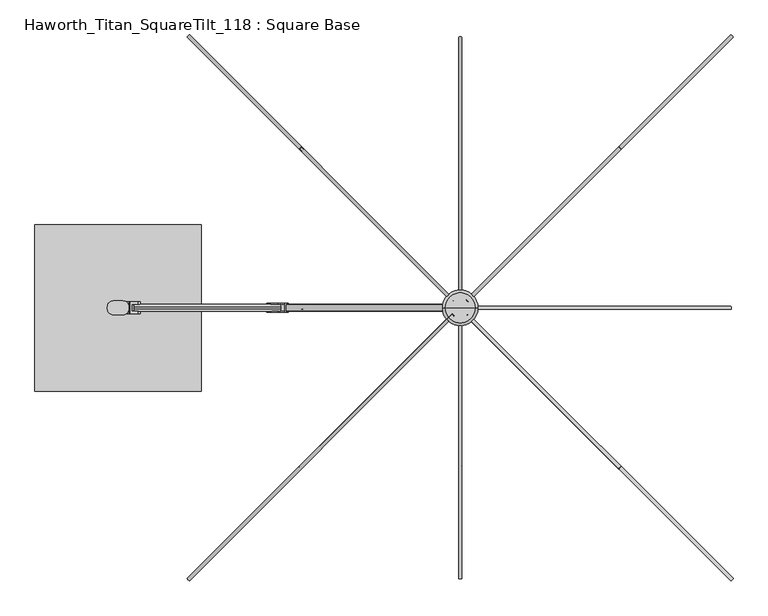
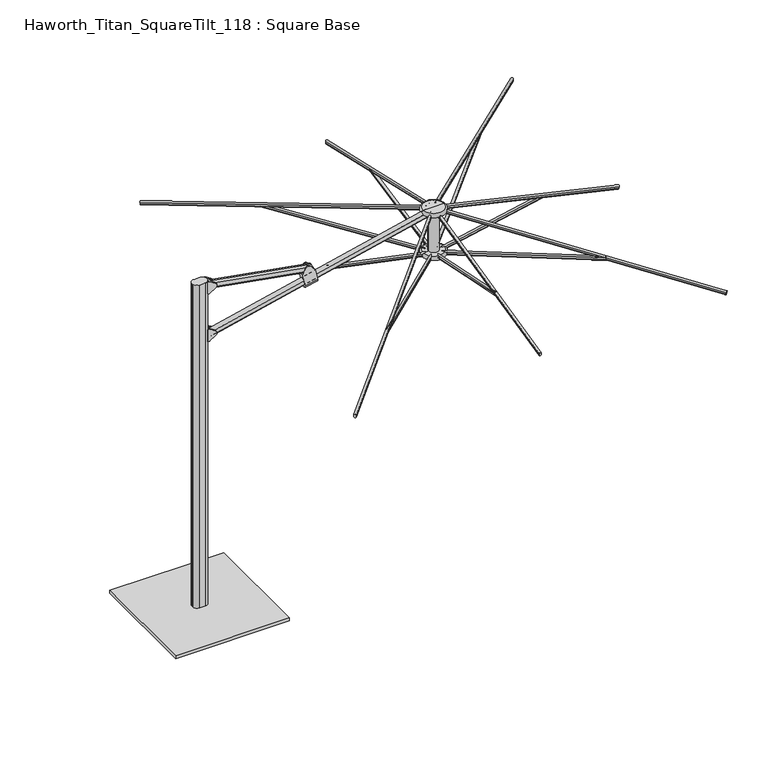
"""IFC4 building model written with IfcOpenShell, lengths in millimetres: furniture geometry, Haworth_Titan_SquareTilt_118 : Square Base."""

from ifc_helpers import new_model, si_unit, point, frame, frame_2d, origin, origin_with_axes, place, context, project, spatial, polyline, circle_curve, ellipse_curve, trimmed, segment, composite_curve, outline, extrude, source, transform, mapped, element, save
from ifc_brep_helpers import plane_surface, cylinder_surface, revolved_surface, advanced_brep


def haworth_titan_squaretilt_118_square_base_c0363f3f(model_context):
    return source(origin(), model_context, "Body", "SolidModel", [
        extrude(outline(composite_curve([segment(polyline([(-1446.5300194, -42.1299408), (-1499.8699806, -42.1299408)]), True, "CONTINUOUS"), segment(trimmed(circle_curve(frame_2d((-1499.8699806, -10.3799408)), 31.75), [point((-1499.8699806, -42.1299408))], [point((-1531.6199806, -10.3799408))], False, "CARTESIAN"), True, "CONTINUOUS"), segment(polyline([(-1531.6199806, -10.3799408), (-1531.6199806, 2.3200592)]), True, "CONTINUOUS"), segment(trimmed(circle_curve(frame_2d((-1499.8699806, 2.3200592)), 31.75), [point((-1531.6199806, 2.3200592))], [point((-1499.8699806, 34.0700592))], False, "CARTESIAN"), True, "CONTINUOUS"), segment(polyline([(-1499.8699806, 34.0700592), (-1446.5300194, 34.0700592)]), True, "CONTINUOUS"), segment(trimmed(circle_curve(frame_2d((-1446.5300194, 2.3200592)), 31.75), [point((-1446.5300194, 34.0700592))], [point((-1414.7800194, 2.3200592))], False, "CARTESIAN"), True, "CONTINUOUS"), segment(polyline([(-1414.7800194, 2.3200592), (-1414.7800194, -10.3799408)]), True, "CONTINUOUS"), segment(trimmed(circle_curve(frame_2d((-1446.5300194, -10.3799408)), 31.75), [point((-1414.7800194, -10.3799408))], [point((-1446.5300194, -42.1299408))], False, "CARTESIAN"), True, "CONTINUOUS")], self_intersect=False)), frame((0.0, 0.0, 25.4), z_axis=(0.0, 0.0, 1.0), x_axis=(1.0, 0.0, 0.0)), (0.0, 0.0, 1.0), 2743.2),
        extrude(outline(polyline([(-1016.0, 453.1700592), (-1016.0, -461.2299408), (-1930.4, -461.2299408), (-1930.4, 453.1700592), (-1016.0, 453.1700592)])), origin_with_axes(), (0.0, 0.0, 1.0), 25.4),
        advanced_brep(
        [(-638.8317232, -28.8584398, 2452.539431), (-539.2550393, -28.8584398, 2472.7210111), (-557.1147391, -28.8584398, 2562.8261396), (-594.9132103, -28.8584398, 2602.8681925), (-637.1082851, -28.8584398, 2594.5048149), (-656.7758688, -28.8584398, 2543.0725626), (-556.9273215, -23.0799408, 2561.8805867), (-656.5036375, -23.0799408, 2541.6990811), (-656.7758688, -23.0799408, 2543.0725626), (-637.1082851, -23.0799408, 2594.5048149), (-594.9132103, -23.0799408, 2602.8681925), (-557.1147391, -23.0799408, 2562.8261396), (-556.9273215, 15.0200592, 2561.8805867), (-656.5036375, 15.0200592, 2541.6990811), (-557.1147391, 15.0200592, 2562.8261396), (-594.9132103, 15.0200592, 2602.8681925), (-637.1082851, 15.0200592, 2594.5048149), (-656.7758688, 15.0200592, 2543.0725626), (-539.2550393, 20.7985582, 2472.7210111), (-638.8317232, 20.7985582, 2452.539431), (-656.7758688, 20.7985582, 2543.0725626), (-637.1082851, 20.7985582, 2594.5048149), (-594.9132103, 20.7985582, 2602.8681925), (-557.1147391, 20.7985582, 2562.8261396)],
        [
            (0, 1),
            (1, 2),
            (2, 3),
            (3, 4, circle_curve(frame((-613.3837241, -28.8584398, 2585.4325933), z_axis=(0.0, -1.0, 0.0), x_axis=(1.0, 0.0, 0.0)), 25.4)),
            (4, 5),
            (5, 0),
            (6, 7),
            (7, 8),
            (8, 9),
            (9, 10, circle_curve(frame((-613.3837241, -23.0799408, 2585.4325933), z_axis=(0.0, 1.0, 0.0), x_axis=(1.0, 0.0, 0.0)), 25.4)),
            (10, 11),
            (11, 6),
            (6, 12),
            (12, 13),
            (13, 7),
            (12, 14),
            (14, 15),
            (15, 16, circle_curve(frame((-613.3837241, 15.0200592, 2585.4325933), z_axis=(0.0, -1.0, 0.0), x_axis=(1.0, 0.0, 0.0)), 25.4)),
            (16, 17),
            (17, 13),
            (18, 19),
            (19, 20),
            (20, 21),
            (21, 22, circle_curve(frame((-613.3837241, 20.7985582, 2585.4325933), z_axis=(0.0, 1.0, 0.0), x_axis=(1.0, 0.0, 0.0)), 25.4)),
            (22, 23),
            (23, 18),
            (8, 5),
            (4, 9),
            (20, 17),
            (16, 21),
            (3, 10),
            (15, 22),
            (2, 11),
            (14, 23),
            (1, 18, ellipse_curve(frame((-539.2550393, -4.0299408, 2472.7210111), z_axis=(0.9809169623175261, 0.0, 0.19442714069223216), x_axis=(0.19442714069222775, -2.2532502934053907e-12, -0.980916962317527)), 24.8287277, 24.828499)),
            (19, 0, ellipse_curve(frame((-638.8317232, -4.0299408, 2452.539431), z_axis=(-0.9809177651054216, 0.0, -0.19442309045117312), x_axis=(0.1944230904512047, -2.251037628429089e-12, -0.9809177651054153)), 24.8287281, 24.828499)),
        ],
        [
            plane_surface(frame((-656.823572, -28.8584398, 2448.8929555), z_axis=(0.0, -1.0000000000000002, 0.0), x_axis=(0.9800735011186607, 0.0, 0.19863517413844614))),
            plane_surface(frame((-688.7528402, -23.0799408, 2606.4331791), z_axis=(0.0, 1.0000000000000002, 0.0), x_axis=(0.9800735011186607, 0.0, 0.19863517413844614))),
            plane_surface(frame((-674.8781733, -23.0799408, 2537.975045), z_axis=(-0.19863517413844614, 0.0, 0.9800735011186607), x_axis=(0.9800735011186607, 0.0, 0.19863517413844614))),
            plane_surface(frame((-674.8781733, 15.0200592, 2537.975045), z_axis=(0.0, -1.0000000000000002, 0.0), x_axis=(0.9800735011186607, 0.0, 0.19863517413844614))),
            plane_surface(frame((-688.8424073, 20.7985582, 2606.8751066), z_axis=(0.0, 1.0000000000000002, 0.0), x_axis=(0.9800735011186607, 0.0, 0.19863517413844614))),
            plane_surface(frame((-656.7758688, -42.1299408, 2543.0725626), z_axis=(-0.934037835454624, 0.0, 0.35717407792173367), x_axis=(0.0, 1.0, 0.0))),
            cylinder_surface(frame((-613.3837241, 34.0700592, 2585.4325933), z_axis=(0.0, 1.0, 0.0), x_axis=(1.0, 0.0, 0.0)), 25.4),
            plane_surface(frame((-594.9132103, -42.1299408, 2602.8681925), z_axis=(0.7271855840513565, 0.0, 0.6864409124956697), x_axis=(0.0, 1.0, 0.0))),
            plane_surface(frame((-557.1147391, -42.1299408, 2562.8261396), z_axis=(0.9809169623175261, 0.0, 0.19442714069223216), x_axis=(0.0, 1.0, 0.0))),
            plane_surface(frame((-615.4340122, -42.1299408, 2334.4915679), z_axis=(-0.9809177651054216, 0.0, -0.19442309045117312), x_axis=(0.0, 1.0, 0.0))),
            cylinder_surface(frame((-523.693599, -4.0299408, 2475.8749066), z_axis=(-0.9800735011186607, 0.0, -0.19863517413844567), x_axis=(0.19863517413844567, 0.0, -0.9800735011186607)), 24.828499),
        ],
        [
            (0, [[1, 2, 3, 4, 5, 6]]),
            (1, [[7, 8, 9, 10, 11, 12]]),
            (2, [[-7, 13, 14, 15]]),
            (3, [[-14, 16, 17, 18, 19, 20]]),
            (4, [[21, 22, 23, 24, 25, 26]]),
            (5, [[27, -5, 28, -9]]),
            (5, [[29, -19, 30, -23]]),
            (6, [[-28, -4, 31, -10]]),
            (6, [[-30, -18, 32, -24]]),
            (7, [[-31, -3, 33, -11]]),
            (7, [[-32, -17, 34, -25]]),
            (8, [[-33, -2, 35, -26, -34, -16, -13, -12]]),
            (9, [[-27, -8, -15, -20, -29, -22, 36, -6]]),
            (10, [[-1, -36, -21, -35]]),
        ],
    ),
        advanced_brep(
        [(-1398.5468048, -23.0799408, 2670.4960641), (-1398.5468048, -23.0799408, 2756.7219863), (-1365.0592091, -23.0799408, 2735.6843884), (-1365.0592091, -23.0799408, 2691.533662), (-1398.5468048, 15.0200592, 2670.4960641), (-1398.5468048, 15.0200592, 2756.7219863), (-1365.0592091, 15.0200592, 2691.533662), (-1365.0592091, 15.0200592, 2735.6843884), (-1412.4977231, 28.7360598, 2764.4089767), (-1409.330907, 28.7360598, 2763.4967816), (-1365.0592091, 28.7360598, 2735.6843884), (-1365.0592091, 28.7360598, 2691.533662), (-1409.330907, 28.7360598, 2663.7212688), (-1412.4977231, 28.7360598, 2662.8090736), (-1428.8306637, 28.7360598, 2662.8090736), (-1428.8306637, 28.7360598, 2764.4089767), (-1428.8306637, 28.0356115, 2662.8090736), (-1428.8306637, -36.0954368, 2662.8090736), (-1428.8306637, -36.0954368, 2764.4089767), (-1428.8306637, 28.0356115, 2764.4089767), (-1409.330907, -36.7959413, 2763.4967816), (-1412.4977231, -36.7959413, 2764.4089767), (-1428.8306637, -36.7959413, 2764.4089767), (-1428.8306637, -36.7959413, 2662.8090736), (-1412.4977231, -36.7959413, 2662.8090736), (-1409.330907, -36.7959413, 2663.7212688), (-1365.0592091, -36.7959413, 2691.533662), (-1365.0592091, -36.7959413, 2735.6843884)],
        [
            (0, 1),
            (1, 2),
            (2, 3, circle_curve(frame((-1378.9274073, -23.0799408, 2713.6090252), z_axis=(0.0, 1.0, 0.0), x_axis=(1.0, 0.0, 0.0)), 26.0700706)),
            (3, 0),
            (0, 4),
            (4, 5),
            (5, 1),
            (4, 6),
            (6, 7, circle_curve(frame((-1378.9274073, 15.0200592, 2713.6090252), z_axis=(0.0, -1.0, 0.0), x_axis=(1.0, 0.0, 0.0)), 26.0700706)),
            (7, 5),
            (8, 9, circle_curve(frame((-1412.4977231, 28.7360598, 2758.4558517), z_axis=(0.0, 1.0, 0.0), x_axis=(1.0, 0.0, 0.0)), 5.953125)),
            (9, 10),
            (10, 11, circle_curve(frame((-1378.9274073, 28.7360598, 2713.6090252), z_axis=(0.0, 1.0, 0.0), x_axis=(1.0, 0.0, 0.0)), 26.0700706)),
            (11, 12),
            (12, 13, circle_curve(frame((-1412.4977231, 28.7360598, 2668.7621986), z_axis=(0.0, 1.0, 0.0), x_axis=(1.0, 0.0, 0.0)), 5.953125)),
            (13, 14),
            (14, 15),
            (15, 8),
            (16, 17, circle_curve(frame((-1456.6790796, -4.0299127, 2662.8090736), z_axis=(0.0, 0.0, -1.0), x_axis=(1.0, 0.0, 0.0)), 42.4703674)),
            (17, 18),
            (18, 19, circle_curve(frame((-1456.6790796, -4.0299127, 2764.4089767), z_axis=(0.0, 0.0, 1.0), x_axis=(1.0, 0.0, 0.0)), 42.4703674)),
            (19, 16),
            (20, 21, circle_curve(frame((-1412.4977231, -36.7959413, 2758.4558517), z_axis=(0.0, -1.0, 0.0), x_axis=(1.0, 0.0, 0.0)), 5.953125)),
            (21, 22),
            (22, 23),
            (23, 24),
            (24, 25, circle_curve(frame((-1412.4977231, -36.7959413, 2668.7621986), z_axis=(0.0, -1.0, 0.0), x_axis=(1.0, 0.0, 0.0)), 5.953125)),
            (25, 26),
            (26, 27, circle_curve(frame((-1378.9274073, -36.7959413, 2713.6090252), z_axis=(0.0, -1.0, 0.0), x_axis=(1.0, 0.0, 0.0)), 26.0700706)),
            (27, 20),
            (8, 21),
            (20, 9),
            (27, 2),
            (7, 10),
            (26, 3),
            (6, 11),
            (25, 12),
            (24, 13),
            (23, 17),
            (16, 14),
            (22, 18),
            (19, 15),
        ],
        [
            plane_surface(frame((-1352.2714317, -23.0799408, 2768.6), z_axis=(0.0, 1.0, 0.0), x_axis=(0.0, 0.0, -1.0))),
            plane_surface(frame((-1398.5468048, -23.0799408, 2768.6), z_axis=(1.0, 0.0, 0.0), x_axis=(0.0, 0.0, -1.0))),
            plane_surface(frame((-1398.5468048, 15.0200592, 2768.6), z_axis=(0.0, -1.0, 0.0), x_axis=(0.0, 0.0, -1.0))),
            plane_surface(frame((-1352.2714317, 28.7360598, 2768.6), z_axis=(0.0, 1.0, 0.0), x_axis=(0.0, 0.0, -1.0))),
            revolved_surface(polyline([(-1414.2087122, -4.0299127, 2662.8090736), (-1414.2087122, -4.0299127, 2764.4089767)]), (-1456.6790796, -4.0299127, 2235.2), (0.0, 0.0, -1.0)),
            plane_surface(frame((-1429.6583566, -36.7959413, 2768.6), z_axis=(0.0, -1.0, 0.0), x_axis=(0.0, 0.0, -1.0))),
            cylinder_surface(frame((-1412.4977231, 72.1700592, 2758.4558517), z_axis=(0.0, 1.0, 0.0), x_axis=(1.0, 0.0, 0.0)), 5.953125),
            plane_surface(frame((-1409.330907, -80.2299408, 2763.4967816), z_axis=(0.5319585969039498, 0.0, 0.8467703650813372), x_axis=(0.0, 1.0, 0.0))),
            cylinder_surface(frame((-1378.9274073, 72.1700592, 2713.6090252), z_axis=(0.0, 1.0, 0.0), x_axis=(1.0, 0.0, 0.0)), 26.0700706),
            plane_surface(frame((-1365.0592091, -80.2299408, 2691.533662), z_axis=(0.5319585969039639, 0.0, -0.8467703650813284), x_axis=(0.0, 1.0, 0.0))),
            cylinder_surface(frame((-1412.4977231, 72.1700592, 2668.7621986), z_axis=(0.0, 1.0, 0.0), x_axis=(1.0, 0.0, 0.0)), 5.953125),
            plane_surface(frame((-1412.4977231, -80.2299408, 2662.8090736), z_axis=(0.0, 0.0, -1.0), x_axis=(0.0, 1.0, 0.0))),
            plane_surface(frame((-1428.8306637, -80.2299408, 2662.8090736), z_axis=(-1.0, 0.0, 0.0), x_axis=(0.0, 1.0, 0.0))),
            plane_surface(frame((-1428.8306637, -80.2299408, 2764.4089767), z_axis=(0.0, 0.0, 1.0), x_axis=(0.0, 1.0, 0.0))),
        ],
        [
            (0, [[1, 2, 3, 4]]),
            (1, [[-1, 5, 6, 7]]),
            (2, [[-6, 8, 9, 10]]),
            (3, [[11, 12, 13, 14, 15, 16, 17, 18]]),
            (4, [[19, 20, 21, 22]]),
            (5, [[23, 24, 25, 26, 27, 28, 29, 30]]),
            (6, [[31, -23, 32, -11]]),
            (7, [[-32, -30, 33, -2, -7, -10, 34, -12]]),
            (8, [[-33, -29, 35, -3]]),
            (8, [[-34, -9, 36, -13]]),
            (9, [[-36, -8, -5, -4, -35, -28, 37, -14]]),
            (10, [[-37, -27, 38, -15]]),
            (11, [[-38, -26, 39, -19, 40, -16]]),
            (12, [[-39, -25, 41, -20]]),
            (12, [[-40, -22, 42, -17]]),
            (13, [[-31, -18, -42, -21, -41, -24]]),
        ],
    ),
        advanced_brep(
        [(-1398.5468048, -23.0799408, 2265.4099374), (-1398.5468048, -23.0799408, 2351.6358596), (-1364.8153055, -23.0799408, 2330.4450365), (-1364.8153055, -23.0799408, 2286.6007605), (-1398.5468048, 15.0200592, 2265.4099374), (-1398.5468048, 15.0200592, 2351.6358596), (-1364.8153055, 15.0200592, 2286.6007605), (-1364.8153055, 15.0200592, 2330.4450365), (-1412.4977231, 28.7360598, 2359.32285), (-1409.330907, 28.7360598, 2358.4106549), (-1364.8153055, 28.7360598, 2330.4450365), (-1364.8153055, 28.7360598, 2286.6007605), (-1409.330907, 28.7360598, 2258.6351421), (-1412.4977231, 28.7360598, 2257.7229469), (-1428.4344669, 28.7360598, 2257.7229469), (-1428.4344669, 28.7360598, 2359.32285), (-1428.4344669, 27.6871799, 2257.7229469), (-1428.4344669, -35.7470053, 2257.7229469), (-1428.4344669, -35.7470053, 2359.32285), (-1428.4344669, 27.6871799, 2359.32285), (-1409.330907, -36.7959413, 2358.4106549), (-1412.4977231, -36.7959413, 2359.32285), (-1428.4344669, -36.7959413, 2359.32285), (-1428.4344669, -36.7959413, 2257.7229469), (-1412.4977231, -36.7959413, 2257.7229469), (-1409.330907, -36.7959413, 2258.6351421), (-1364.8153055, -36.7959413, 2286.6007605), (-1364.8153055, -36.7959413, 2330.4450365)],
        [
            (0, 1),
            (1, 2),
            (2, 3, circle_curve(frame((-1378.5872445, -23.0799408, 2308.5228985), z_axis=(0.0, 1.0, 0.0), x_axis=(1.0, 0.0, 0.0)), 25.8891181)),
            (3, 0),
            (0, 4),
            (4, 5),
            (5, 1),
            (4, 6),
            (6, 7, circle_curve(frame((-1378.5872445, 15.0200592, 2308.5228985), z_axis=(0.0, -1.0, 0.0), x_axis=(1.0, 0.0, 0.0)), 25.8891181)),
            (7, 5),
            (8, 9, circle_curve(frame((-1412.4977231, 28.7360598, 2353.369725), z_axis=(0.0, 1.0, 0.0), x_axis=(1.0, 0.0, 0.0)), 5.953125)),
            (9, 10),
            (10, 11, circle_curve(frame((-1378.5872445, 28.7360598, 2308.5228985), z_axis=(0.0, 1.0, 0.0), x_axis=(1.0, 0.0, 0.0)), 25.8891181)),
            (11, 12),
            (12, 13, circle_curve(frame((-1412.4977231, 28.7360598, 2263.6760719), z_axis=(0.0, 1.0, 0.0), x_axis=(1.0, 0.0, 0.0)), 5.953125)),
            (13, 14),
            (14, 15),
            (15, 8),
            (16, 17, circle_curve(frame((-1456.6790796, -4.0299127, 2257.7229469), z_axis=(0.0, 0.0, -1.0), x_axis=(1.0, 0.0, 0.0)), 42.4703674)),
            (17, 18),
            (18, 19, circle_curve(frame((-1456.6790796, -4.0299127, 2359.32285), z_axis=(0.0, 0.0, 1.0), x_axis=(1.0, 0.0, 0.0)), 42.4703674)),
            (19, 16),
            (20, 21, circle_curve(frame((-1412.4977231, -36.7959413, 2353.369725), z_axis=(0.0, -1.0, 0.0), x_axis=(1.0, 0.0, 0.0)), 5.953125)),
            (21, 22),
            (22, 23),
            (23, 24),
            (24, 25, circle_curve(frame((-1412.4977231, -36.7959413, 2263.6760719), z_axis=(0.0, -1.0, 0.0), x_axis=(1.0, 0.0, 0.0)), 5.953125)),
            (25, 26),
            (26, 27, circle_curve(frame((-1378.5872445, -36.7959413, 2308.5228985), z_axis=(0.0, -1.0, 0.0), x_axis=(1.0, 0.0, 0.0)), 25.8891181)),
            (27, 20),
            (8, 21),
            (20, 9),
            (27, 2),
            (7, 10),
            (26, 3),
            (6, 11),
            (25, 12),
            (24, 13),
            (23, 17),
            (16, 14),
            (22, 18),
            (19, 15),
        ],
        [
            plane_surface(frame((-1352.2714317, -23.0799408, 2768.6), z_axis=(0.0, 1.0, 0.0), x_axis=(0.0, 0.0, -1.0))),
            plane_surface(frame((-1398.5468048, -23.0799408, 2768.6), z_axis=(1.0, 0.0, 0.0), x_axis=(0.0, 0.0, -1.0))),
            plane_surface(frame((-1398.5468048, 15.0200592, 2768.6), z_axis=(0.0, -1.0, 0.0), x_axis=(0.0, 0.0, -1.0))),
            plane_surface(frame((-1352.2714317, 28.7360598, 2768.6), z_axis=(0.0, 1.0, 0.0), x_axis=(0.0, 0.0, -1.0))),
            revolved_surface(polyline([(-1414.2087122, -4.0299127, 2257.7229469), (-1414.2087122, -4.0299127, 2359.32285)]), (-1456.6790796, -4.0299127, 2235.2), (0.0, 0.0, -1.0)),
            plane_surface(frame((-1429.6583566, -36.7959413, 2768.6), z_axis=(0.0, -1.0, 0.0), x_axis=(0.0, 0.0, -1.0))),
            cylinder_surface(frame((-1412.4977231, -4.0299408, 2353.369725), z_axis=(0.0, 1.0, 0.0), x_axis=(1.0, 0.0, 0.0)), 5.953125),
            plane_surface(frame((-1409.330907, -80.2299408, 2358.4106549), z_axis=(0.5319585969039494, 0.0, 0.8467703650813374), x_axis=(0.0, 1.0, 0.0))),
            cylinder_surface(frame((-1378.5872445, -4.0299408, 2308.5228985), z_axis=(0.0, 1.0, 0.0), x_axis=(1.0, 0.0, 0.0)), 25.8891181),
            plane_surface(frame((-1364.8153055, -80.2299408, 2286.6007605), z_axis=(0.5319585969039472, 0.0, -0.8467703650813388), x_axis=(0.0, 1.0, 0.0))),
            cylinder_surface(frame((-1412.4977231, -4.0299408, 2263.6760719), z_axis=(0.0, 1.0, 0.0), x_axis=(1.0, 0.0, 0.0)), 5.953125),
            plane_surface(frame((-1412.4977231, -80.2299408, 2257.7229469), z_axis=(0.0, 0.0, -1.0), x_axis=(0.0, 1.0, 0.0))),
            plane_surface(frame((-1428.4344669, -80.2299408, 2257.7229469), z_axis=(-1.0, 0.0, 0.0), x_axis=(0.0, 1.0, 0.0))),
            plane_surface(frame((-1428.4344669, -80.2299408, 2359.32285), z_axis=(0.0, 0.0, 1.0), x_axis=(0.0, 1.0, 0.0))),
        ],
        [
            (0, [[1, 2, 3, 4]]),
            (1, [[-1, 5, 6, 7]]),
            (2, [[-6, 8, 9, 10]]),
            (3, [[11, 12, 13, 14, 15, 16, 17, 18]]),
            (4, [[19, 20, 21, 22]]),
            (5, [[23, 24, 25, 26, 27, 28, 29, 30]]),
            (6, [[31, -23, 32, -11]]),
            (7, [[-32, -30, 33, -2, -7, -10, 34, -12]]),
            (8, [[-33, -29, 35, -3]]),
            (8, [[-34, -9, 36, -13]]),
            (9, [[-36, -8, -5, -4, -35, -28, 37, -14]]),
            (10, [[-37, -27, 38, -15]]),
            (11, [[-38, -26, 39, -19, 40, -16]]),
            (12, [[-39, -25, 41, -20]]),
            (12, [[-40, -22, 42, -17]]),
            (13, [[-31, -18, -42, -21, -41, -24]]),
        ],
    ),
        extrude(outline(composite_curve([segment(trimmed(circle_curve(frame_2d((6.35, 12.6998842)), 12.7), [point((19.05, 12.6998842))], [point((6.35, -0.0001159))], False, "CARTESIAN"), True, "CONTINUOUS"), segment(polyline([(6.35, -0.0001159), (-6.35, -0.0001159)]), True, "CONTINUOUS"), segment(trimmed(circle_curve(frame_2d((-6.35, 12.6998842)), 12.7), [point((-6.35, -0.0001159))], [point((-19.05, 12.6998842))], False, "CARTESIAN"), True, "CONTINUOUS"), segment(polyline([(-19.05, 12.6998842), (-19.05, 45.719986)]), True, "CONTINUOUS"), segment(trimmed(circle_curve(frame_2d((-6.35, 45.719986)), 12.7), [point((-19.05, 45.719986))], [point((-6.35, 58.419986))], False, "CARTESIAN"), True, "CONTINUOUS"), segment(polyline([(-6.35, 58.419986), (6.35, 58.419986)]), True, "CONTINUOUS"), segment(trimmed(circle_curve(frame_2d((6.35, 45.719986)), 12.7), [point((6.35, 58.419986))], [point((19.05, 45.719986))], False, "CARTESIAN"), True, "CONTINUOUS"), segment(polyline([(19.05, 45.719986), (19.05, 12.6998842)]), True, "CONTINUOUS")], self_intersect=False)), frame((-590.7331768, -4.0299408, 2546.711412), z_axis=(-0.9848937860603193, 0.0, 0.17315955122305554), x_axis=(0.0, -1.0, 0.0)), (0.0, 0.0, 1.0), 819.15),
        advanced_brep(
        [(324.3580228, -4.0299408, 2349.5), (488.4419772, -4.0299408, 2349.5), (406.4, -4.0299408, 2349.5), (406.4, -4.0299408, 2381.25), (488.4419772, -4.0299408, 2381.25), (324.3580228, -4.0299408, 2381.25)],
        [
            (0, 1, circle_curve(frame((406.4, -4.0299408, 2349.5), z_axis=(0.0, 0.0, -1.0), x_axis=(1.0, 0.0, 0.0)), 82.0419772)),
            (1, 2),
            (2, 0),
            (1, 0, circle_curve(frame((406.4, -4.0299408, 2349.5), z_axis=(0.0, 0.0, -1.0), x_axis=(1.0, 0.0, 0.0)), 82.0419772)),
            (3, 4),
            (4, 5, circle_curve(frame((406.4, -4.0299408, 2381.25), z_axis=(0.0, 0.0, 1.0), x_axis=(1.0, 0.0, 0.0)), 82.0419772)),
            (5, 3),
            (5, 4, circle_curve(frame((406.4, -4.0299408, 2381.25), z_axis=(0.0, 0.0, 1.0), x_axis=(1.0, 0.0, 0.0)), 82.0419772)),
            (4, 1, circle_curve(frame((488.4419772, -4.0299408, 2365.375), z_axis=(0.0, 1.0, 0.0), x_axis=(1.0, 0.0, 0.0)), 15.875)),
            (0, 5, circle_curve(frame((324.3580228, -4.0299408, 2365.375), z_axis=(0.0, 1.0, 0.0), x_axis=(-1.0, 0.0, 0.0)), 15.875)),
        ],
        [
            plane_surface(frame((406.4, -4.0299408, 2349.5), z_axis=(0.0, 0.0, -1.0), x_axis=(1.0, 0.0, 0.0))),
            plane_surface(frame((406.4, -4.0299408, 2381.25), z_axis=(0.0, 0.0, 1.0), x_axis=(1.0, 0.0, 0.0))),
            revolved_surface(trimmed(ellipse_curve(frame((488.4419772, -4.0299408, 2365.375), z_axis=(0.0, -1.0, 0.0), x_axis=(1.0, 0.0, 0.0)), 15.875, 15.875), [point((488.4419772, -4.0299408, 2349.5))], [point((488.4419772, -4.0299408, 2381.25))], True, "CARTESIAN"), (406.4, -4.0299408, 2605.8874532), (0.0, 0.0, 1.0)),
        ],
        [
            (0, [[1, 2, 3]]),
            (0, [[4, -3, -2]]),
            (1, [[5, 6, 7]]),
            (1, [[-7, 8, -5]]),
            (2, [[-6, 9, -1, 10]]),
            (2, [[-8, -10, -4, -9]]),
        ],
    ),
        extrude(outline(composite_curve([segment(polyline([(12.9834408, -8.4804821), (12.9834408, -22.8946348)]), True, "CONTINUOUS"), segment(trimmed(circle_curve(frame_2d((4.0299408, -22.8946348)), 8.9535), [point((12.9834408, -22.8946348))], [point((-4.9235592, -22.8946348))], False, "CARTESIAN"), True, "CONTINUOUS"), segment(polyline([(-4.9235592, -22.8946348), (-4.9235592, -8.4804821)]), True, "CONTINUOUS"), segment(trimmed(circle_curve(frame_2d((4.0299408, -8.4804821)), 8.9535), [point((-4.9235592, -8.4804821))], [point((12.9834408, -8.4804821))], False, "CARTESIAN"), True, "CONTINUOUS")], self_intersect=False)), frame((410.4299408, -74.166692, 2351.0470755), z_axis=(0.0, -0.9792063685546624, 0.20286667489262716), x_axis=(-1.0, 0.0, 0.0)), (0.0, 0.0, 1.0), 820.9250167),
        extrude(outline(composite_curve([segment(polyline([(12.9834408, -8.4804821), (12.9834408, -22.8946348)]), True, "CONTINUOUS"), segment(trimmed(circle_curve(frame_2d((4.0299408, -22.8946348)), 8.9535), [point((12.9834408, -22.8946348))], [point((-4.9235592, -22.8946348))], False, "CARTESIAN"), True, "CONTINUOUS"), segment(polyline([(-4.9235592, -22.8946348), (-4.9235592, -8.4804821)]), True, "CONTINUOUS"), segment(trimmed(circle_curve(frame_2d((4.0299408, -8.4804821)), 8.9535), [point((-4.9235592, -8.4804821))], [point((12.9834408, -8.4804821))], False, "CARTESIAN"), True, "CONTINUOUS")], self_intersect=False)), frame((336.2632487, -8.0598816, 2351.0470755), z_axis=(-0.9792063685546624, 0.0, 0.20286667489262716), x_axis=(0.0, 1.0, 0.0)), (0.0, 0.0, 1.0), 820.9250167),
        extrude(outline(composite_curve([segment(polyline([(12.9834408, -8.4804821), (12.9834408, -22.8946348)]), True, "CONTINUOUS"), segment(trimmed(circle_curve(frame_2d((4.0299408, -22.8946348)), 8.9535), [point((12.9834408, -22.8946348))], [point((-4.9235592, -22.8946348))], False, "CARTESIAN"), True, "CONTINUOUS"), segment(polyline([(-4.9235592, -22.8946348), (-4.9235592, -8.4804821)]), True, "CONTINUOUS"), segment(trimmed(circle_curve(frame_2d((4.0299408, -8.4804821)), 8.9535), [point((-4.9235592, -8.4804821))], [point((12.9834408, -8.4804821))], False, "CARTESIAN"), True, "CONTINUOUS")], self_intersect=False)), frame((402.3700592, 66.1068105, 2351.0470755), z_axis=(0.0, 0.9792063685546624, 0.20286667489262716), x_axis=(1.0, 0.0, 0.0)), (0.0, 0.0, 1.0), 820.9250167),
        extrude(outline(composite_curve([segment(trimmed(circle_curve(frame_2d((4.0299408, 7.3267917)), 8.9535), [point((12.9834408, 7.3267917))], [point((-4.9235592, 7.3267917))], False, "CARTESIAN"), True, "CONTINUOUS"), segment(polyline([(-4.9235592, 7.3267917), (-4.9235592, 21.7411303)]), True, "CONTINUOUS"), segment(trimmed(circle_curve(frame_2d((4.0299408, 21.7411303)), 8.9535), [point((-4.9235592, 21.7411303))], [point((12.9834408, 21.7411303))], False, "CARTESIAN"), True, "CONTINUOUS"), segment(polyline([(12.9834408, 21.7411303), (12.9834408, 7.3267917)]), True, "CONTINUOUS")], self_intersect=False)), frame((410.4299408, -1486.3407703, 2377.5563301), z_axis=(0.0, 0.9744661240319158, 0.22453456997579438), x_axis=(-1.0, 0.0, 0.0)), (0.0, 0.0, 1.0), 1466.85),
        extrude(outline(composite_curve([segment(polyline([(-16.0360582, 6.8616994), (-16.0360582, 37.5785601)]), True, "CONTINUOUS"), segment(trimmed(circle_curve(frame_2d((-9.6860582, 37.5785601)), 6.35), [point((-16.0360582, 37.5785601))], [point((-15.6590238, 39.7340606))], False, "CARTESIAN"), True, "CONTINUOUS"), segment(trimmed(circle_curve(frame_2d((4.0299408, 32.6287842)), 20.9318007), [point((-15.6590238, 39.7340606))], [point((23.7189054, 39.7340606))], False, "CARTESIAN"), True, "CONTINUOUS"), segment(trimmed(circle_curve(frame_2d((17.7459398, 37.5785601)), 6.35), [point((23.7189054, 39.7340606))], [point((24.0959398, 37.5785601))], False, "CARTESIAN"), True, "CONTINUOUS"), segment(polyline([(24.0959398, 37.5785601), (24.0959398, 6.8616994)]), True, "CONTINUOUS"), segment(trimmed(circle_curve(frame_2d((17.7459398, 6.8616994)), 6.35), [point((24.0959398, 6.8616994))], [point((23.4899127, 4.1544359))], False, "CARTESIAN"), True, "CONTINUOUS"), segment(trimmed(circle_curve(frame_2d((4.0299408, 13.3263579)), 21.5131276), [point((23.4899127, 4.1544359))], [point((-15.4300311, 4.1544359))], False, "CARTESIAN"), True, "CONTINUOUS"), segment(trimmed(circle_curve(frame_2d((-9.6860582, 6.8616994)), 6.35), [point((-15.4300311, 4.1544359))], [point((-16.0360582, 6.8616994))], False, "CARTESIAN"), True, "CONTINUOUS")], self_intersect=False)), frame((-1387.3549734, -8.0598816, 2283.8502039), z_axis=(0.974270807987236, 0.0, 0.22538055085543296), x_axis=(0.0, 1.0, 0.0)), (0.0, 0.0, 1.0), 1794.0067537),
        extrude(outline(composite_curve([segment(trimmed(circle_curve(frame_2d((4.0299408, 7.3267917)), 8.9535), [point((12.9834408, 7.3267917))], [point((-4.9235592, 7.3267917))], False, "CARTESIAN"), True, "CONTINUOUS"), segment(polyline([(-4.9235592, 7.3267917), (-4.9235592, 21.7411303)]), True, "CONTINUOUS"), segment(trimmed(circle_curve(frame_2d((4.0299408, 21.7411303)), 8.9535), [point((-4.9235592, 21.7411303))], [point((12.9834408, 21.7411303))], False, "CARTESIAN"), True, "CONTINUOUS"), segment(polyline([(12.9834408, 21.7411303), (12.9834408, 7.3267917)]), True, "CONTINUOUS")], self_intersect=False)), frame((402.3700592, 1478.2808888, 2377.5563301), z_axis=(0.0, -0.9744661240319158, 0.22453456997579438), x_axis=(1.0, 0.0, 0.0)), (0.0, 0.0, 1.0), 1466.85),
        extrude(outline(composite_curve([segment(trimmed(circle_curve(frame_2d((4.0299408, 7.3267917)), 8.9535), [point((12.9834408, 7.3267917))], [point((-4.9235592, 7.3267917))], False, "CARTESIAN"), True, "CONTINUOUS"), segment(polyline([(-4.9235592, 7.3267917), (-4.9235592, 21.7411303)]), True, "CONTINUOUS"), segment(trimmed(circle_curve(frame_2d((4.0299408, 21.7411303)), 8.9535), [point((-4.9235592, 21.7411303))], [point((12.9834408, 21.7411303))], False, "CARTESIAN"), True, "CONTINUOUS"), segment(polyline([(12.9834408, 21.7411303), (12.9834408, 7.3267917)]), True, "CONTINUOUS")], self_intersect=False)), frame((1888.7108295, 0.0, 2377.5563301), z_axis=(-0.9744661240319158, 0.0, 0.22453456997579438), x_axis=(0.0, -1.0, 0.0)), (0.0, 0.0, 1.0), 1466.85),
        extrude(outline(composite_curve([segment(polyline([(12.9834408, -8.4804821), (12.9834408, -22.8946348)]), True, "CONTINUOUS"), segment(trimmed(circle_curve(frame_2d((4.0299408, -22.8946348)), 8.9535), [point((12.9834408, -22.8946348))], [point((-4.9235592, -22.8946348))], False, "CARTESIAN"), True, "CONTINUOUS"), segment(polyline([(-4.9235592, -22.8946348), (-4.9235592, -8.4804821)]), True, "CONTINUOUS"), segment(trimmed(circle_curve(frame_2d((4.0299408, -8.4804821)), 8.9535), [point((-4.9235592, -8.4804821))], [point((12.9834408, -8.4804821))], False, "CARTESIAN"), True, "CONTINUOUS")], self_intersect=False)), frame((476.5367513, 0.0, 2351.0470755), z_axis=(0.9792063685546624, 0.0, 0.20286667489262716), x_axis=(0.0, -1.0, 0.0)), (0.0, 0.0, 1.0), 820.9250167),
        extrude(outline(composite_curve([segment(trimmed(circle_curve(frame_2d((-0.4115857, 9.2017124)), 8.947892), [point((8.536306, 9.1998746))], [point((-9.3594775, 9.2035503))], False, "CARTESIAN"), True, "CONTINUOUS"), segment(polyline([(-9.3594775, 9.2035503), (-9.3566137, 23.1461249)]), True, "CONTINUOUS"), segment(trimmed(circle_curve(frame_2d((-0.4087216, 23.1461249)), 8.9478921), [point((-9.3566137, 23.1461249))], [point((8.5391702, 23.1439195))], False, "CARTESIAN"), True, "CONTINUOUS"), segment(polyline([(8.5391702, 23.1439195), (8.536306, 9.1998746)]), True, "CONTINUOUS")], self_intersect=False)), frame((452.4138143, -50.0601179, 2349.7856899), z_axis=(0.6999867221279648, -0.7002356419141335, 0.1403161952079987), x_axis=(0.7072324735233253, 0.7069810665032545, 0.0)), (0.0, 0.0, 1.0), 1193.8),
        extrude(outline(composite_curve([segment(trimmed(circle_curve(frame_2d((-0.4115857, 9.2017124)), 8.947892), [point((8.5363061, 9.1998746))], [point((-9.3594775, 9.2035503))], False, "CARTESIAN"), True, "CONTINUOUS"), segment(polyline([(-9.3594775, 9.2035503), (-9.3566137, 23.1461249)]), True, "CONTINUOUS"), segment(trimmed(circle_curve(frame_2d((-0.4087216, 23.1461249)), 8.9478921), [point((-9.3566137, 23.1461249))], [point((8.5391702, 23.1439195))], False, "CARTESIAN"), True, "CONTINUOUS"), segment(polyline([(8.5391702, 23.1439195), (8.5363061, 9.1998746)]), True, "CONTINUOUS")], self_intersect=False)), frame((360.3698229, -50.043755, 2349.7856899), z_axis=(-0.7002356419141418, -0.6999867221279564, 0.1403161952079987), x_axis=(0.7069810665032461, -0.7072324735233336, 0.0)), (0.0, 0.0, 1.0), 1193.8),
        extrude(outline(composite_curve([segment(trimmed(circle_curve(frame_2d((-0.4115857, 9.2017124)), 8.947892), [point((8.536306, 9.1998746))], [point((-9.3594775, 9.2035503))], False, "CARTESIAN"), True, "CONTINUOUS"), segment(polyline([(-9.3594775, 9.2035503), (-9.3566138, 23.1461249)]), True, "CONTINUOUS"), segment(trimmed(circle_curve(frame_2d((-0.4087217, 23.1461249)), 8.9478921), [point((-9.3566138, 23.1461249))], [point((8.5391702, 23.1439195))], False, "CARTESIAN"), True, "CONTINUOUS"), segment(polyline([(8.5391702, 23.1439195), (8.536306, 9.1998746)]), True, "CONTINUOUS")], self_intersect=False)), frame((360.3861857, 42.0002363, 2349.7856899), z_axis=(-0.6999867221279622, 0.7002356419141359, 0.14031619520799868), x_axis=(-0.7072324735233279, -0.706981066503252, 0.0)), (0.0, 0.0, 1.0), 1193.8),
        extrude(outline(composite_curve([segment(trimmed(circle_curve(frame_2d((-0.4115857, 9.2017124)), 8.947892), [point((8.536306, 9.1998746))], [point((-9.3594775, 9.2035503))], False, "CARTESIAN"), True, "CONTINUOUS"), segment(polyline([(-9.3594775, 9.2035503), (-9.3566138, 23.1461249)]), True, "CONTINUOUS"), segment(trimmed(circle_curve(frame_2d((-0.4087217, 23.1461249)), 8.9478921), [point((-9.3566138, 23.1461249))], [point((8.5391702, 23.1439195))], False, "CARTESIAN"), True, "CONTINUOUS"), segment(polyline([(8.5391702, 23.1439195), (8.536306, 9.1998746)]), True, "CONTINUOUS")], self_intersect=False)), frame((452.4301771, 41.9838735, 2349.7856899), z_axis=(0.7002356419141303, 0.6999867221279679, 0.14031619520799873), x_axis=(-0.7069810665032576, 0.7072324735233221, 0.0)), (0.0, 0.0, 1.0), 1193.8),
        extrude(outline(composite_curve([segment(trimmed(circle_curve(frame_2d((0.0454336, -8.9661608)), 8.9535016), [point((-8.9080678, -8.9644053))], [point((8.9989351, -8.9679162))], False, "CARTESIAN"), True, "CONTINUOUS"), segment(polyline([(8.9989351, -8.9679162), (8.9961217, -23.3170804)]), True, "CONTINUOUS"), segment(trimmed(circle_curve(frame_2d((0.0426203, -23.3153249)), 8.9535016), [point((8.9961217, -23.3170804))], [point((-8.9108812, -23.3135694))], False, "CARTESIAN"), True, "CONTINUOUS"), segment(polyline([(-8.9108812, -23.3135694), (-8.9080678, -8.9644053)]), True, "CONTINUOUS")], self_intersect=False)), frame((1896.828967, -1494.8416767, 2378.4052608), z_axis=(-0.6980590219957531, 0.6980590219958305, 0.1594590970141167), x_axis=(0.7071067811865868, 0.7071067811865084, 0.0)), (0.0, 0.0, 1.0), 2085.2228731),
        extrude(outline(composite_curve([segment(trimmed(circle_curve(frame_2d((0.0454337, -8.9661608)), 8.9535016), [point((-8.9080677, -8.9644053))], [point((8.9989351, -8.9679162))], False, "CARTESIAN"), True, "CONTINUOUS"), segment(polyline([(8.9989351, -8.9679162), (8.9961218, -23.3170804)]), True, "CONTINUOUS"), segment(trimmed(circle_curve(frame_2d((0.0426203, -23.3153249)), 8.9535016), [point((8.9961218, -23.3170804))], [point((-8.9108812, -23.3135694))], False, "CARTESIAN"), True, "CONTINUOUS"), segment(polyline([(-8.9108812, -23.3135694), (-8.9080677, -8.9644053)]), True, "CONTINUOUS")], self_intersect=False)), frame((-1084.4117359, -1494.4589077, 2378.4052608), z_axis=(0.6980590219958387, 0.698059021995745, 0.15945909701411676), x_axis=(0.7071067811865, -0.707106781186595, 0.0)), (0.0, 0.0, 1.0), 2085.2228731),
        extrude(outline(composite_curve([segment(trimmed(circle_curve(frame_2d((0.0454336, -8.9661608)), 8.9535016), [point((-8.9080679, -8.9644053))], [point((8.998935, -8.9679162))], False, "CARTESIAN"), True, "CONTINUOUS"), segment(polyline([(8.998935, -8.9679162), (8.9961217, -23.3170804)]), True, "CONTINUOUS"), segment(trimmed(circle_curve(frame_2d((0.0426203, -23.3153249)), 8.9535016), [point((8.9961217, -23.3170804))], [point((-8.9108812, -23.3135694))], False, "CARTESIAN"), True, "CONTINUOUS"), segment(polyline([(-8.9108812, -23.3135694), (-8.9080679, -8.9644053)]), True, "CONTINUOUS")], self_intersect=False)), frame((-1084.028967, 1486.7817951, 2378.4052608), z_axis=(0.6980590219957505, -0.6980590219958331, 0.1594590970141167), x_axis=(-0.7071067811865893, -0.7071067811865057, 0.0)), (0.0, 0.0, 1.0), 2085.2228731),
        extrude(outline(composite_curve([segment(trimmed(circle_curve(frame_2d((0.0454336, -8.9661608)), 8.9535016), [point((-8.9080678, -8.9644053))], [point((8.9989351, -8.9679162))], False, "CARTESIAN"), True, "CONTINUOUS"), segment(polyline([(8.9989351, -8.9679162), (8.9961217, -23.3170804)]), True, "CONTINUOUS"), segment(trimmed(circle_curve(frame_2d((0.0426203, -23.3153249)), 8.9535016), [point((8.9961217, -23.3170804))], [point((-8.9108812, -23.3135694))], False, "CARTESIAN"), True, "CONTINUOUS"), segment(polyline([(-8.9108812, -23.3135694), (-8.9080678, -8.9644053)]), True, "CONTINUOUS")], self_intersect=False)), frame((1897.2117359, 1486.3990262, 2378.4052608), z_axis=(-0.6980590219958274, -0.6980590219957562, 0.15945909701411679), x_axis=(-0.7071067811865116, 0.7071067811865837, 0.0)), (0.0, 0.0, 1.0), 2085.2228731),
        advanced_brep(
        [(366.040881, -4.0299408, 2712.4661201), (446.759119, -4.0299408, 2712.4661201), (446.759119, -4.0299408, 2380.2339283), (366.040881, -4.0299408, 2380.2339283), (406.4, -4.0299408, 2712.4661201), (406.4, -4.0299408, 2380.2339283)],
        [
            (0, 1, circle_curve(frame((406.4, -4.0299408, 2712.4661201), z_axis=(0.0, 0.0, -1.0), x_axis=(1.0, 0.0, 0.0)), 40.359119)),
            (1, 2),
            (2, 3, circle_curve(frame((406.4, -4.0299408, 2380.2339283), z_axis=(0.0, 0.0, 1.0), x_axis=(1.0, 0.0, 0.0)), 40.359119)),
            (3, 0),
            (1, 0, circle_curve(frame((406.4, -4.0299408, 2712.4661201), z_axis=(0.0, 0.0, -1.0), x_axis=(1.0, 0.0, 0.0)), 40.359119)),
            (3, 2, circle_curve(frame((406.4, -4.0299408, 2380.2339283), z_axis=(0.0, 0.0, 1.0), x_axis=(1.0, 0.0, 0.0)), 40.359119)),
            (4, 1),
            (0, 4),
            (2, 5),
            (5, 3),
        ],
        [
            cylinder_surface(frame((406.4, -4.0299408, 2607.6909748), z_axis=(0.0, 0.0, 1.0), x_axis=(1.0, 0.0, 0.0)), 40.359119),
            plane_surface(frame((406.4, -4.0299408, 2712.4661201), z_axis=(0.0, 0.0, 1.0), x_axis=(1.0, 0.0, 0.0))),
            plane_surface(frame((406.4, -4.0299408, 2380.2339283), z_axis=(0.0, 0.0, -1.0), x_axis=(1.0, 0.0, 0.0))),
        ],
        [
            (0, [[1, 2, 3, 4]]),
            (0, [[5, -4, 6, -2]]),
            (1, [[7, -1, 8]]),
            (1, [[-8, -5, -7]]),
            (2, [[-3, 9, 10]]),
            (2, [[-6, -10, -9]]),
        ],
    ),
        advanced_brep(
        [(324.3580228, -4.0299408, 2711.45), (488.4419772, -4.0299408, 2711.45), (406.4, -4.0299408, 2711.45), (406.4, -4.0299408, 2743.2), (488.4419772, -4.0299408, 2743.2), (324.3580228, -4.0299408, 2743.2)],
        [
            (0, 1, circle_curve(frame((406.4, -4.0299408, 2711.45), z_axis=(0.0, 0.0, -1.0), x_axis=(1.0, 0.0, 0.0)), 82.0419772)),
            (1, 2),
            (2, 0),
            (1, 0, circle_curve(frame((406.4, -4.0299408, 2711.45), z_axis=(0.0, 0.0, -1.0), x_axis=(1.0, 0.0, 0.0)), 82.0419772)),
            (3, 4),
            (4, 5, circle_curve(frame((406.4, -4.0299408, 2743.2), z_axis=(0.0, 0.0, 1.0), x_axis=(1.0, 0.0, 0.0)), 82.0419772)),
            (5, 3),
            (5, 4, circle_curve(frame((406.4, -4.0299408, 2743.2), z_axis=(0.0, 0.0, 1.0), x_axis=(1.0, 0.0, 0.0)), 82.0419772)),
            (4, 1, circle_curve(frame((488.4419772, -4.0299408, 2727.325), z_axis=(0.0, 1.0, 0.0), x_axis=(1.0, 0.0, 0.0)), 15.875)),
            (0, 5, circle_curve(frame((324.3580228, -4.0299408, 2727.325), z_axis=(0.0, 1.0, 0.0), x_axis=(-1.0, 0.0, 0.0)), 15.875)),
        ],
        [
            plane_surface(frame((406.4, -4.0299408, 2711.45), z_axis=(0.0, 0.0, -1.0), x_axis=(1.0, 0.0, 0.0))),
            plane_surface(frame((406.4, -4.0299408, 2743.2), z_axis=(0.0, 0.0, 1.0), x_axis=(1.0, 0.0, 0.0))),
            revolved_surface(trimmed(ellipse_curve(frame((488.4419772, -4.0299408, 2727.325), z_axis=(0.0, -1.0, 0.0), x_axis=(1.0, 0.0, 0.0)), 15.875, 15.875), [point((488.4419772, -4.0299408, 2711.45))], [point((488.4419772, -4.0299408, 2743.2))], True, "CARTESIAN"), (406.4, -4.0299408, 2876.5500484), (0.0, 0.0, 1.0)),
        ],
        [
            (0, [[1, 2, 3]]),
            (0, [[4, -3, -2]]),
            (1, [[5, 6, 7]]),
            (1, [[-7, 8, -5]]),
            (2, [[-6, 9, -1, 10]]),
            (2, [[-8, -10, -4, -9]]),
        ],
    ),
    ])


if __name__ == "__main__":
    model = new_model("IFC4")
    model_context = context("Model", 3, world=origin())
    ifc_project = project(units=[si_unit("LENGTHUNIT", "METRE", prefix="MILLI")], contexts=[model_context])
    site = spatial("IfcSite", under=ifc_project)
    building = spatial("IfcBuilding", under=site)
    placement = place(None, origin())
    haworth_titan_squaretilt_118_square_base_shape = haworth_titan_squaretilt_118_square_base_c0363f3f(model_context)
    element("IfcFurniture", 1, ObjectType="Haworth_Titan_SquareTilt_118 : Square Base", at=placement, inside=building, context=model_context, shape_type="MappedRepresentation", body=[
        mapped(haworth_titan_squaretilt_118_square_base_shape, transform((0.0, 0.0, 0.0), x_axis=(1.0, 0.0, 0.0), y_axis=(0.0, 1.0, 0.0), z_axis=(0.0, 0.0, 1.0))),
    ])
    save(model, "model.ifc")
